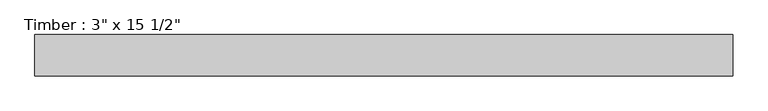
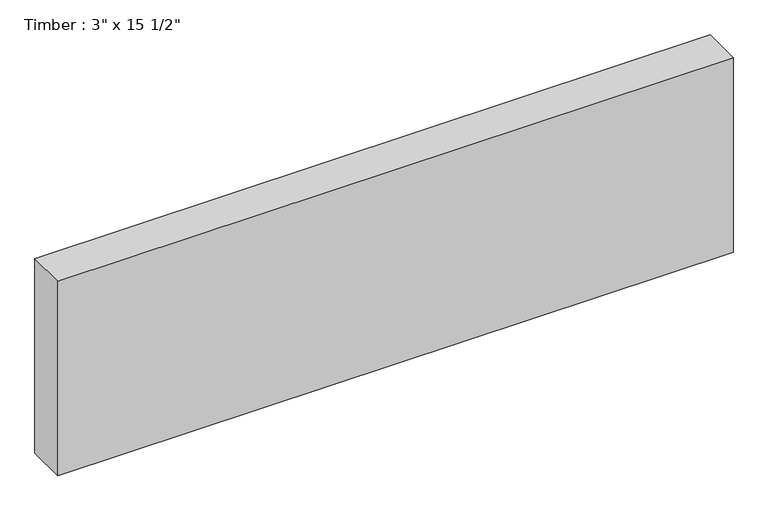
"""IFC4 building model written with IfcOpenShell, lengths in millimetres: beam geometry."""

from ifc_helpers import new_model, si_unit, frame, origin, place, context, project, spatial, polyline, outline, extrude, source, transform, mapped, element, save


def beam_6c40c6dc(model_context):
    return source(origin(), model_context, "Body", "SweptSolid", [
        extrude(outline(polyline([(646.1583378, 38.1), (646.1583378, -38.1), (-646.1583378, -38.1), (-646.1583378, 38.1), (646.1583378, 38.1)])), frame((0.0, 0.0, -196.85), z_axis=(0.0, 0.0, 1.0), x_axis=(1.0, 0.0, 0.0)), (0.0, 0.0, 1.0), 393.7),
    ])


if __name__ == "__main__":
    model = new_model("IFC4")
    model_context = context("Model", 3, world=origin())
    ifc_project = project(units=[si_unit("LENGTHUNIT", "METRE", prefix="MILLI")], contexts=[model_context])
    site = spatial("IfcSite", under=ifc_project)
    building = spatial("IfcBuilding", under=site)
    placement = place(None, origin())
    beam_shape = beam_6c40c6dc(model_context)
    element("IfcBeam", 1, ObjectType="Timber : 3\" x 15 1/2\"", at=placement, inside=building, context=model_context, shape_type="MappedRepresentation", body=[
        mapped(beam_shape, transform((0.0, 0.0, 0.0), x_axis=(1.0, 0.0, 0.0), y_axis=(0.0, 1.0, 0.0), z_axis=(0.0, 0.0, 1.0))),
    ])
    save(model, "model.ifc")
